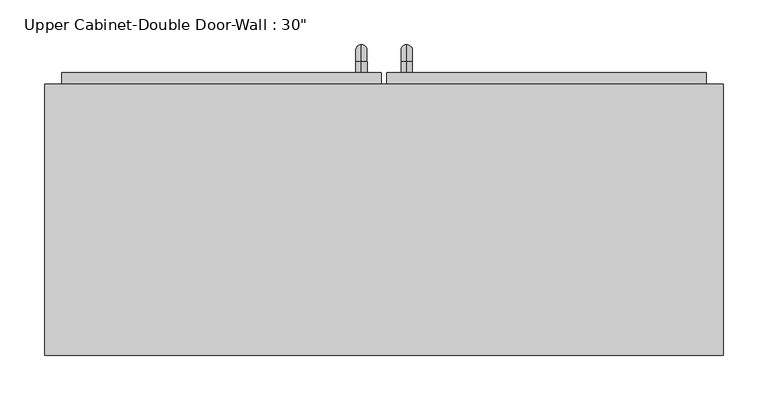
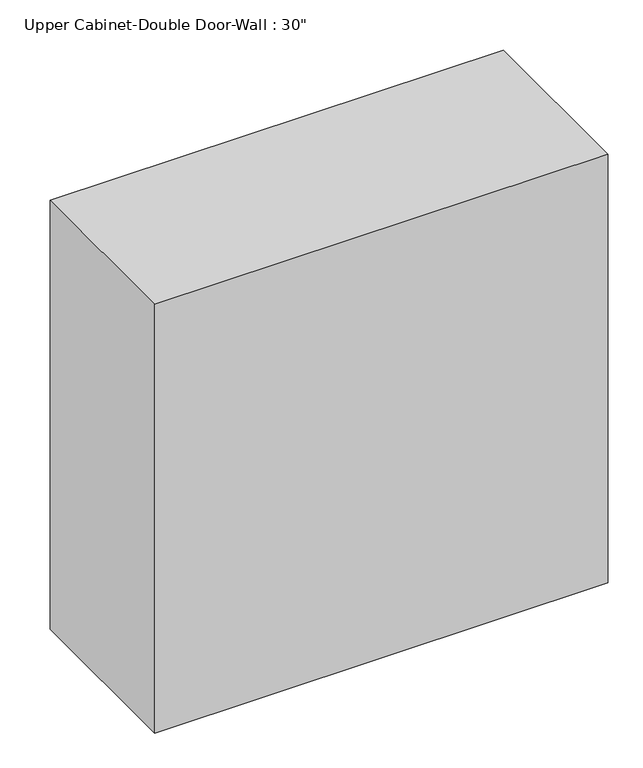
"""IFC4 building model written with IfcOpenShell, lengths in millimetres: furniture geometry."""

from ifc_helpers import new_model, si_unit, point, frame, origin, place, context, project, spatial, polyline, circle_curve, ellipse_curve, trimmed, outline, extrude, faceted_brep, source, transform, mapped, element, save
from ifc_brep_helpers import plane_surface, cylinder_surface, revolved_surface, advanced_brep


def furniture_8ef6021b(model_context):
    return source(origin(), model_context, "Body", "SolidModel", [
        faceted_brep([(-351.2288372, 69.85, 2133.6), (-351.2288372, 69.85, 1371.6), (410.7711628, 69.85, 1371.6), (410.7711628, 69.85, 2133.6), (-351.2288372, 374.65, 2133.6), (410.7711628, 374.65, 2133.6), (410.7711628, 374.65, 1371.6), (-351.2288372, 374.65, 1371.6), (-332.1788372, 374.65, 2114.55), (-332.1788372, 374.65, 1390.65), (391.7211628, 374.65, 1390.65), (391.7211628, 374.65, 2114.55), (391.7211628, 88.9, 2114.55), (-332.1788372, 88.9, 2114.55), (391.7211628, 88.9, 1390.65), (-332.1788372, 88.9, 1390.65)], [[[0, 1, 2, 3]], [[4, 5, 6, 7], [8, 9, 10, 11]], [[1, 0, 4, 7]], [[2, 1, 7, 6]], [[3, 2, 6, 5]], [[0, 3, 5, 4]], [[8, 11, 12, 13]], [[11, 10, 14, 12]], [[10, 9, 15, 14]], [[9, 8, 13, 15]], [[13, 12, 14, 15]]]),
        advanced_brep(
        [(55.1711628, 387.35, 1517.65), (55.1711628, 387.35, 1530.35), (55.1711628, 400.05, 1517.65), (55.1711628, 400.05, 1530.35), (55.1711628, 419.1, 1511.3), (55.1711628, 406.4, 1511.3), (55.1711628, 406.4, 1435.1), (55.1711628, 419.1, 1435.1), (55.1711628, 400.05, 1416.05), (55.1711628, 400.05, 1428.75), (55.1711628, 387.35, 1428.75), (55.1711628, 387.35, 1416.05)],
        [
            (0, 1, circle_curve(frame((55.1711628, 387.35, 1524.0), z_axis=(0.0, -1.0, 0.0), x_axis=(0.0, 0.0, -1.0)), 6.35)),
            (1, 0, circle_curve(frame((55.1711628, 387.35, 1524.0), z_axis=(0.0, -1.0, 0.0), x_axis=(0.0, 0.0, -1.0)), 6.35)),
            (0, 2),
            (2, 3, circle_curve(frame((55.1711628, 400.05, 1524.0), z_axis=(0.0, -1.0, 0.0), x_axis=(0.0, 0.0, -1.0)), 6.35)),
            (3, 1),
            (3, 2, circle_curve(frame((55.1711628, 400.05, 1524.0), z_axis=(0.0, -1.0, 0.0), x_axis=(0.0, 0.0, -1.0)), 6.35)),
            (4, 3, circle_curve(frame((55.1711628, 400.05, 1511.3), z_axis=(1.0, 0.0, 0.0), x_axis=(0.0, 0.0, 1.0)), 19.05)),
            (2, 5, circle_curve(frame((55.1711628, 400.05, 1511.3), z_axis=(-1.0, 0.0, 0.0), x_axis=(0.0, 0.0, 1.0)), 6.35)),
            (5, 4, circle_curve(frame((55.1711628, 412.75, 1511.3), z_axis=(0.0, 0.0, 1.0), x_axis=(0.0, -1.0, 0.0)), 6.35)),
            (4, 5, circle_curve(frame((55.1711628, 412.75, 1511.3), z_axis=(0.0, 0.0, 1.0), x_axis=(0.0, -1.0, 0.0)), 6.35)),
            (5, 6),
            (6, 7, circle_curve(frame((55.1711628, 412.75, 1435.1), z_axis=(0.0, 0.0, 1.0), x_axis=(0.0, -1.0, 0.0)), 6.35)),
            (7, 4),
            (7, 6, circle_curve(frame((55.1711628, 412.75, 1435.1), z_axis=(0.0, 0.0, 1.0), x_axis=(0.0, -1.0, 0.0)), 6.35)),
            (8, 7, circle_curve(frame((55.1711628, 400.05, 1435.1), z_axis=(1.0, 0.0, 0.0), x_axis=(0.0, 1.0, 0.0)), 19.05)),
            (6, 9, circle_curve(frame((55.1711628, 400.05, 1435.1), z_axis=(-1.0, 0.0, 0.0), x_axis=(0.0, 1.0, 0.0)), 6.35)),
            (9, 8, circle_curve(frame((55.1711628, 400.05, 1422.4), z_axis=(0.0, 1.0, 0.0), x_axis=(0.0, 0.0, 1.0)), 6.35)),
            (8, 9, circle_curve(frame((55.1711628, 400.05, 1422.4), z_axis=(0.0, 1.0, 0.0), x_axis=(0.0, 0.0, 1.0)), 6.35)),
            (10, 11, circle_curve(frame((55.1711628, 387.35, 1422.4), z_axis=(0.0, -1.0, 0.0), x_axis=(0.0, 0.0, 1.0)), 6.35)),
            (11, 10, circle_curve(frame((55.1711628, 387.35, 1422.4), z_axis=(0.0, -1.0, 0.0), x_axis=(0.0, 0.0, 1.0)), 6.35)),
            (9, 10),
            (11, 8),
        ],
        [
            plane_surface(frame((48.8211628, 387.35, 1524.0), z_axis=(0.0, -1.0, 0.0), x_axis=(0.0, 0.0, 1.0))),
            cylinder_surface(frame((55.1711628, 387.35, 1524.0), z_axis=(0.0, -1.0, 0.0), x_axis=(0.0, 0.0, -1.0)), 6.35),
            revolved_surface(trimmed(ellipse_curve(frame((55.1711628, 400.05, 1524.0), z_axis=(0.0, -1.0, 0.0), x_axis=(0.0, 0.0, -1.0)), 6.35, 6.35), [point((55.1711628, 400.05, 1517.65))], [point((55.1711628, 400.05, 1530.35))], True, "CARTESIAN"), (55.1711628, 400.05, 1511.3), (-1.0, 0.0, 0.0)),
            revolved_surface(trimmed(ellipse_curve(frame((55.1711628, 400.05, 1524.0), z_axis=(0.0, -1.0, 0.0), x_axis=(0.0, 0.0, -1.0)), 6.35, 6.35), [point((55.1711628, 400.05, 1530.35))], [point((55.1711628, 400.05, 1517.65))], True, "CARTESIAN"), (55.1711628, 400.05, 1511.3), (-1.0, 0.0, 0.0)),
            cylinder_surface(frame((55.1711628, 412.75, 1511.3), z_axis=(0.0, 0.0, 1.0), x_axis=(0.0, -1.0, 0.0)), 6.35),
            revolved_surface(trimmed(ellipse_curve(frame((55.1711628, 412.75, 1435.1), z_axis=(0.0, 0.0, 1.0), x_axis=(0.0, -1.0, 0.0)), 6.35, 6.35), [point((55.1711628, 406.4, 1435.1))], [point((55.1711628, 419.1, 1435.1))], True, "CARTESIAN"), (55.1711628, 400.05, 1435.1), (-1.0, 0.0, 0.0)),
            revolved_surface(trimmed(ellipse_curve(frame((55.1711628, 412.75, 1435.1), z_axis=(0.0, 0.0, 1.0), x_axis=(0.0, -1.0, 0.0)), 6.35, 6.35), [point((55.1711628, 419.1, 1435.1))], [point((55.1711628, 406.4, 1435.1))], True, "CARTESIAN"), (55.1711628, 400.05, 1435.1), (-1.0, 0.0, 0.0)),
            plane_surface(frame((48.8211628, 387.35, 1422.4), z_axis=(0.0, -1.0, 0.0), x_axis=(0.0, 0.0, -1.0))),
            cylinder_surface(frame((55.1711628, 400.05, 1422.4), z_axis=(0.0, 1.0, 0.0), x_axis=(0.0, 0.0, 1.0)), 6.35),
        ],
        [
            (0, [[1, 2]]),
            (1, [[-1, 3, 4, 5]]),
            (1, [[-2, -5, 6, -3]]),
            (2, [[7, -4, 8, 9]]),
            (3, [[-8, -6, -7, 10]]),
            (4, [[-9, 11, 12, 13]]),
            (4, [[-10, -13, 14, -11]]),
            (5, [[15, -12, 16, 17]]),
            (6, [[-16, -14, -15, 18]]),
            (7, [[19, 20]]),
            (8, [[-17, 21, -20, 22]]),
            (8, [[-18, -22, -19, -21]]),
        ],
    ),
        advanced_brep(
        [(4.3711628, 387.35, 1517.65), (4.3711628, 387.35, 1530.35), (4.3711628, 400.05, 1517.65), (4.3711628, 400.05, 1530.35), (4.3711628, 419.1, 1511.3), (4.3711628, 406.4, 1511.3), (4.3711628, 406.4, 1435.1), (4.3711628, 419.1, 1435.1), (4.3711628, 400.05, 1416.05), (4.3711628, 400.05, 1428.75), (4.3711628, 387.35, 1428.75), (4.3711628, 387.35, 1416.05)],
        [
            (0, 1, circle_curve(frame((4.3711628, 387.35, 1524.0), z_axis=(0.0, -1.0, 0.0), x_axis=(0.0, 0.0, 1.0)), 6.35)),
            (1, 0, circle_curve(frame((4.3711628, 387.35, 1524.0), z_axis=(0.0, -1.0, 0.0), x_axis=(0.0, 0.0, 1.0)), 6.35)),
            (0, 2),
            (2, 3, circle_curve(frame((4.3711628, 400.05, 1524.0), z_axis=(0.0, -1.0, 0.0), x_axis=(0.0, 0.0, 1.0)), 6.35)),
            (3, 1),
            (3, 2, circle_curve(frame((4.3711628, 400.05, 1524.0), z_axis=(0.0, -1.0, 0.0), x_axis=(0.0, 0.0, 1.0)), 6.35)),
            (4, 3, circle_curve(frame((4.3711628, 400.05, 1511.3), z_axis=(1.0, 0.0, 0.0), x_axis=(0.0, 0.0, 1.0)), 19.05)),
            (2, 5, circle_curve(frame((4.3711628, 400.05, 1511.3), z_axis=(-1.0, 0.0, 0.0), x_axis=(0.0, 0.0, 1.0)), 6.35)),
            (5, 4, circle_curve(frame((4.3711628, 412.75, 1511.3), z_axis=(0.0, 0.0, 1.0), x_axis=(0.0, 1.0, 0.0)), 6.35)),
            (4, 5, circle_curve(frame((4.3711628, 412.75, 1511.3), z_axis=(0.0, 0.0, 1.0), x_axis=(0.0, 1.0, 0.0)), 6.35)),
            (5, 6),
            (6, 7, circle_curve(frame((4.3711628, 412.75, 1435.1), z_axis=(0.0, 0.0, 1.0), x_axis=(0.0, 1.0, 0.0)), 6.35)),
            (7, 4),
            (7, 6, circle_curve(frame((4.3711628, 412.75, 1435.1), z_axis=(0.0, 0.0, 1.0), x_axis=(0.0, 1.0, 0.0)), 6.35)),
            (8, 7, circle_curve(frame((4.3711628, 400.05, 1435.1), z_axis=(1.0, 0.0, 0.0), x_axis=(0.0, 1.0, 0.0)), 19.05)),
            (6, 9, circle_curve(frame((4.3711628, 400.05, 1435.1), z_axis=(-1.0, 0.0, 0.0), x_axis=(0.0, 1.0, 0.0)), 6.35)),
            (9, 8, circle_curve(frame((4.3711628, 400.05, 1422.4), z_axis=(0.0, 1.0, 0.0), x_axis=(0.0, 0.0, -1.0)), 6.35)),
            (8, 9, circle_curve(frame((4.3711628, 400.05, 1422.4), z_axis=(0.0, 1.0, 0.0), x_axis=(0.0, 0.0, -1.0)), 6.35)),
            (10, 11, circle_curve(frame((4.3711628, 387.35, 1422.4), z_axis=(0.0, -1.0, 0.0), x_axis=(0.0, 0.0, -1.0)), 6.35)),
            (11, 10, circle_curve(frame((4.3711628, 387.35, 1422.4), z_axis=(0.0, -1.0, 0.0), x_axis=(0.0, 0.0, -1.0)), 6.35)),
            (9, 10),
            (11, 8),
        ],
        [
            plane_surface(frame((-1.9788372, 387.35, 1524.0), z_axis=(0.0, -1.0, 0.0), x_axis=(0.0, 0.0, 1.0))),
            cylinder_surface(frame((4.3711628, 387.35, 1524.0), z_axis=(0.0, -1.0, 0.0), x_axis=(0.0, 0.0, 1.0)), 6.35),
            revolved_surface(trimmed(ellipse_curve(frame((4.3711628, 400.05, 1524.0), z_axis=(0.0, -1.0, 0.0), x_axis=(0.0, 0.0, 1.0)), 6.35, 6.35), [point((4.3711628, 400.05, 1517.65))], [point((4.3711628, 400.05, 1530.35))], True, "CARTESIAN"), (4.3711628, 400.05, 1511.3), (-1.0, 0.0, 0.0)),
            revolved_surface(trimmed(ellipse_curve(frame((4.3711628, 400.05, 1524.0), z_axis=(0.0, -1.0, 0.0), x_axis=(0.0, 0.0, 1.0)), 6.35, 6.35), [point((4.3711628, 400.05, 1530.35))], [point((4.3711628, 400.05, 1517.65))], True, "CARTESIAN"), (4.3711628, 400.05, 1511.3), (-1.0, 0.0, 0.0)),
            cylinder_surface(frame((4.3711628, 412.75, 1511.3), z_axis=(0.0, 0.0, 1.0), x_axis=(0.0, 1.0, 0.0)), 6.35),
            revolved_surface(trimmed(ellipse_curve(frame((4.3711628, 412.75, 1435.1), z_axis=(0.0, 0.0, 1.0), x_axis=(0.0, 1.0, 0.0)), 6.35, 6.35), [point((4.3711628, 406.4, 1435.1))], [point((4.3711628, 419.1, 1435.1))], True, "CARTESIAN"), (4.3711628, 400.05, 1435.1), (-1.0, 0.0, 0.0)),
            revolved_surface(trimmed(ellipse_curve(frame((4.3711628, 412.75, 1435.1), z_axis=(0.0, 0.0, 1.0), x_axis=(0.0, 1.0, 0.0)), 6.35, 6.35), [point((4.3711628, 419.1, 1435.1))], [point((4.3711628, 406.4, 1435.1))], True, "CARTESIAN"), (4.3711628, 400.05, 1435.1), (-1.0, 0.0, 0.0)),
            plane_surface(frame((-1.9788372, 387.35, 1422.4), z_axis=(0.0, -1.0, 0.0), x_axis=(0.0, 0.0, -1.0))),
            cylinder_surface(frame((4.3711628, 400.05, 1422.4), z_axis=(0.0, 1.0, 0.0), x_axis=(0.0, 0.0, -1.0)), 6.35),
        ],
        [
            (0, [[1, 2]]),
            (1, [[-1, 3, 4, 5]]),
            (1, [[-2, -5, 6, -3]]),
            (2, [[7, -4, 8, 9]]),
            (3, [[-8, -6, -7, 10]]),
            (4, [[-9, 11, 12, 13]]),
            (4, [[-10, -13, 14, -11]]),
            (5, [[15, -12, 16, 17]]),
            (6, [[-16, -14, -15, 18]]),
            (7, [[19, 20]]),
            (8, [[-17, 21, -20, 22]]),
            (8, [[-18, -22, -19, -21]]),
        ],
    ),
        extrude(outline(polyline([(32.9461628, 387.35), (391.7211628, 387.35), (391.7211628, 355.6), (32.9461628, 355.6), (32.9461628, 387.35)])), frame((0.0, 0.0, 1390.65), z_axis=(0.0, 0.0, 1.0), x_axis=(1.0, 0.0, 0.0)), (0.0, 0.0, 1.0), 723.9),
        extrude(outline(polyline([(-332.1788372, 387.35), (26.5961628, 387.35), (26.5961628, 355.6), (-332.1788372, 355.6), (-332.1788372, 387.35)])), frame((0.0, 0.0, 1390.65), z_axis=(0.0, 0.0, 1.0), x_axis=(1.0, 0.0, 0.0)), (0.0, 0.0, 1.0), 723.9),
    ])


if __name__ == "__main__":
    model = new_model("IFC4")
    model_context = context("Model", 3, world=origin())
    ifc_project = project(units=[si_unit("LENGTHUNIT", "METRE", prefix="MILLI")], contexts=[model_context])
    site = spatial("IfcSite", under=ifc_project)
    building = spatial("IfcBuilding", under=site)
    placement = place(None, origin())
    furniture_shape = furniture_8ef6021b(model_context)
    element("IfcFurniture", 1, ObjectType="Upper Cabinet-Double Door-Wall : 30\"", at=placement, inside=building, context=model_context, shape_type="MappedRepresentation", body=[
        mapped(furniture_shape, transform((0.0, 0.0, 0.0), x_axis=(1.0, 0.0, 0.0), y_axis=(0.0, 1.0, 0.0), z_axis=(0.0, 0.0, 1.0))),
    ])
    save(model, "model.ifc")
